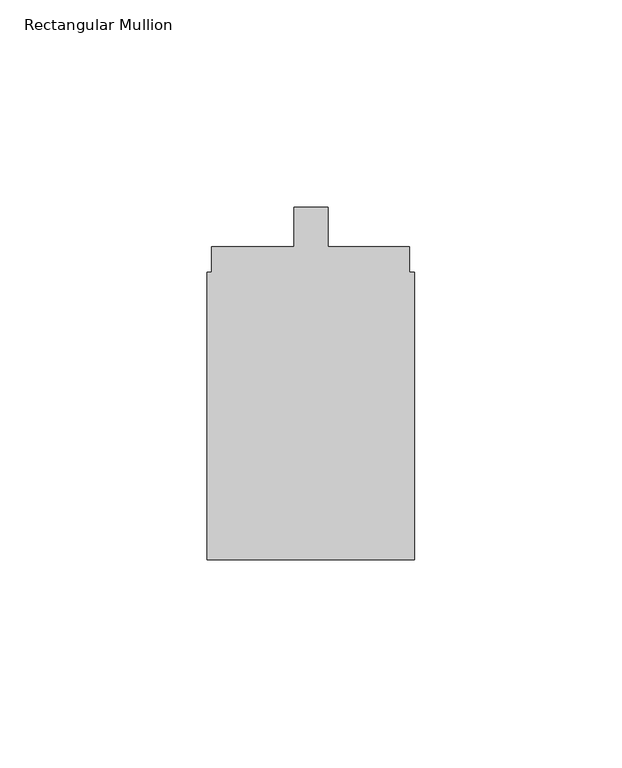
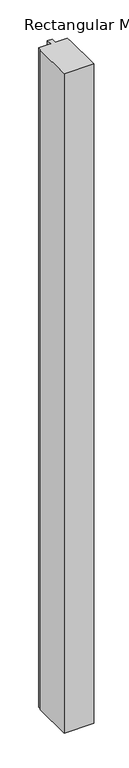
"""IFC4 building model written with IfcOpenShell, lengths in millimetres: member geometry, Rectangular Mullion."""

from ifc_helpers import new_model, si_unit, frame, origin, place, context, project, spatial, polyline, outline, extrude, source, transform, mapped, element, save


def rectangular_mullion_1c907e82(model_context):
    return source(origin(), model_context, "Body", "SweptSolid", [
        extrude(outline(polyline([(25.0, -92.3), (-25.0, -92.3), (-25.0, -23.0), (-23.9, -23.0), (-23.9, -16.8), (-4.1, -16.8), (-4.1, -7.3), (4.1, -7.3), (4.1, -16.8), (23.8217337, -16.8), (23.8217337, -23.0), (25.0, -23.0), (25.0, -92.3)])), frame((0.0, 0.0, -1175.0), z_axis=(0.0, 0.0, 1.0), x_axis=(1.0, 0.0, 0.0)), (0.0, 0.0, 1.0), 1175.0),
    ])


if __name__ == "__main__":
    model = new_model("IFC4")
    model_context = context("Model", 3, world=origin())
    ifc_project = project(units=[si_unit("LENGTHUNIT", "METRE", prefix="MILLI")], contexts=[model_context])
    site = spatial("IfcSite", under=ifc_project)
    building = spatial("IfcBuilding", under=site)
    placement = place(None, origin())
    rectangular_mullion_shape = rectangular_mullion_1c907e82(model_context)
    element("IfcMember", 1, ObjectType="Rectangular Mullion", at=placement, inside=building, context=model_context, shape_type="MappedRepresentation", body=[
        mapped(rectangular_mullion_shape, transform((0.0, 0.0, 0.0), x_axis=(1.0, 0.0, 0.0), y_axis=(0.0, 1.0, 0.0), z_axis=(0.0, 0.0, 1.0))),
    ])
    save(model, "model.ifc")
